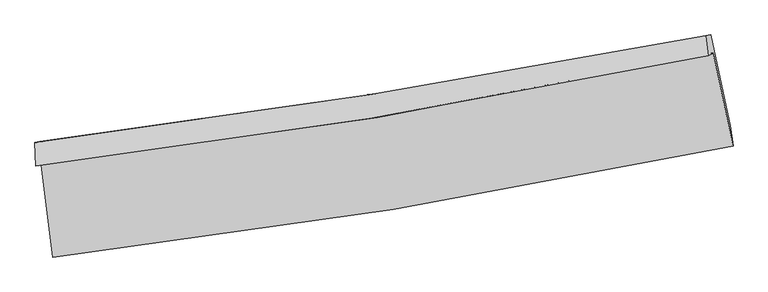
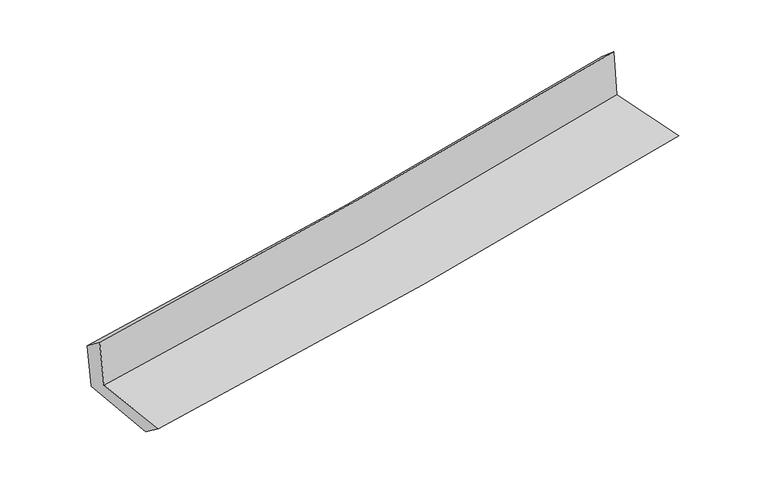
"""IFC4 building model written with IfcOpenShell, lengths in millimetres: proxy geometry."""

from ifc_helpers import new_model, si_unit, frame, origin, place, context, project, spatial, source, transform, mapped, element, save
from ifc_brep_helpers import plane_surface, spline_curve, spline_surface, advanced_brep


def generic_models_39969669(model_context):
    return source(origin(), model_context, "Body", "AdvancedBrep", [
        advanced_brep(
        [(-2410.5458439, -1886.1552964, 1674.4301841), (-2330.4999107, -2540.5339434, 1658.9843826), (2500.2583097, -1750.8972969, 2090.3961191), (2359.4579625, -1090.8727261, 2105.1223365), (-2448.9900011, -1892.0396631, 2076.7775545), (2322.2468473, -1107.8092862, 2508.4307823), (-2456.0916138, -1724.4486872, 1943.0353278), (2304.7175927, -966.0960421, 2385.9912939), (-2420.4656807, -1718.9956855, 1570.1828173), (2341.7203616, -960.4213536, 2008.2482358), (-2338.2248839, -2373.568803, 1532.4203789), (2481.0935492, -1605.3688431, 1976.1663108)],
        [
            (0, 1),
            (1, 2, spline_curve(3, [(-2330.4999107, -2540.5339434, 1658.9843826), (-1521.739867997, -2446.04764927, 1739.34232747), (-715.62758005, -2333.176450569, 1815.406519937), (894.647257649, -2070.117669748, 1959.24626672), (1698.787709677, -1919.776653224, 2026.985986122), (2500.2583097, -1750.8972969, 2090.3961191)], [4, 2, 4], [0.0, 7.998532841885287, 16.03037301683769])),
            (2, 3),
            (3, 0, spline_curve(3, [(2359.4579625, -1090.8727261, 2105.1223365), (1568.768284951, -1262.186948695, 2040.256396079), (775.091022414, -1414.215319983, 1971.85050005), (-814.934973731, -1679.14988849, 1828.257150253), (-1611.258979814, -1792.215707056, 1753.098995339), (-2410.5458439, -1886.1552964, 1674.4301841)], [4, 2, 4], [0.0, 8.031840174952404, 16.03037301683769])),
            (4, 0),
            (3, 5),
            (5, 4, spline_curve(3, [(2322.2468473, -1107.8092862, 2508.4307823), (1529.995438537, -1273.734723877, 2449.498875979), (735.435752231, -1422.149453661, 2383.973409746), (-854.995635439, -1683.414649503, 2240.034427898), (-1650.848231561, -1796.410045665, 2161.675485006), (-2448.9900011, -1892.0396631, 2076.7775545)], [4, 2, 4], [0.0, 7.983004267337408, 15.932903719810895])),
            (6, 4),
            (5, 7),
            (7, 6, spline_curve(3, [(2304.7175927, -966.0960421, 2385.9912939), (1513.874649833, -1119.606908486, 2311.499208609), (720.890317883, -1259.661801469, 2237.264004862), (-866.063807822, -1512.334646572, 2089.614142118), (-1660.015878019, -1625.063968549, 2016.197357262), (-2456.0916138, -1724.4486872, 1943.0353278)], [4, 2, 4], [0.0, 7.970740766343637, 15.908427573480743])),
            (8, 6),
            (7, 9),
            (9, 8, spline_curve(3, [(2341.7203616, -960.4213536, 2008.2482358), (1549.520128549, -1114.148462794, 1946.215390476), (755.743348101, -1254.329803141, 1878.606104041), (-831.665047773, -1507.075800707, 1732.538143718), (-1625.283614825, -1619.752570808, 1654.125623903), (-2420.4656807, -1718.9956855, 1570.1828173)], [4, 2, 4], [0.0, 7.96012303602092, 15.887236143626831])),
            (10, 8),
            (9, 11),
            (11, 10, spline_curve(3, [(2481.0935492, -1605.3688431, 1976.1663108), (1679.998783182, -1764.476649309, 1912.993998183), (877.003138673, -1908.148220968, 1844.340816473), (-729.452071758, -2164.087114196, 1696.380142499), (-1532.895905056, -2276.482195877, 1617.118013571), (-2338.2248839, -2373.568803, 1532.4203789)], [4, 2, 4], [0.0, 8.009109006358035, 15.98500494380099])),
            (1, 10),
            (11, 2),
        ],
        [
            spline_surface(3, 3, [[(-2410.5458439, -1886.1552964, 1674.4301841), (-1611.258979875, -1792.215707162, 1753.098995466), (-814.934973629, -1679.149888395, 1828.257150304), (775.091022312, -1414.215320079, 1971.850499999), (1568.768284834, -1262.186948766, 2040.256395951), (2359.4579625, -1090.8727261, 2105.1223365)], [(-2383.863866169, -2104.28151207, 1669.281583591), (-1581.419275884, -2010.15968784, 1748.513439419), (-781.832509071, -1897.158742432, 1823.973606894), (814.943100732, -1632.849436689, 1967.649088869), (1612.108093131, -1481.383516881, 2035.832925969), (2406.391411569, -1310.880916365, 2100.213597349)], [(-2357.181888431, -2322.40772773, 1664.132983109), (-1551.579571889, -2228.103668506, 1743.927883397), (-748.730044521, -2115.167596421, 1819.690063471), (854.795179142, -1851.48355325, 1963.447677726), (1655.447901421, -1700.580085001, 2031.409456039), (2453.324860631, -1530.889106635, 2095.304858251)], [(-2330.4999107, -2540.5339434, 1658.9843826), (-1521.739867899, -2446.047649184, 1739.34232735), (-715.627579963, -2333.176450458, 1815.406520062), (894.647257561, -2070.11766986, 1959.246266595), (1698.787709717, -1919.776653116, 2026.985986057), (2500.2583097, -1750.8972969, 2090.3961191)]], [4, 4], [4, 2, 4], [0.0, 2.179055871815086], [0.0, 7.998532841885287, 16.03037301683769]),
            spline_surface(3, 3, [[(-2448.9900011, -1892.0396631, 2076.7775545), (-1650.848231693, -1796.410045555, 2161.675485092), (-854.995635382, -1683.4146496, 2240.034427955), (735.435752173, -1422.149453563, 2383.973409689), (1529.99543866, -1273.734723881, 2449.49887603), (2322.2468473, -1107.8092862, 2508.4307823)], [(-2436.175282055, -1890.078207545, 1942.66176439), (-1637.651814442, -1795.011932769, 2025.483321907), (-841.64208147, -1681.993062516, 2102.775335408), (748.654175548, -1419.504742387, 2246.599106462), (1542.919720712, -1269.885465509, 2313.084716002), (2334.650552361, -1102.163766167, 2373.994633698)], [(-2423.360562945, -1888.116751955, 1808.54597421), (-1624.455397126, -1793.613819948, 1889.291158652), (-828.288527542, -1680.571475478, 1965.516242851), (761.872598938, -1416.860031255, 2109.224803226), (1555.844002782, -1266.036207138, 2176.670555979), (2347.054257439, -1096.518246133, 2239.558485102)], [(-2410.5458439, -1886.1552964, 1674.4301841), (-1611.258979875, -1792.215707162, 1753.098995466), (-814.934973629, -1679.149888395, 1828.257150304), (775.091022312, -1414.215320079, 1971.850499999), (1568.768284834, -1262.186948766, 2040.256395951), (2359.4579625, -1090.8727261, 2105.1223365)]], [4, 4], [4, 2, 4], [0.0, 1.358003500425591], [0.0, 7.9498994524734865, 15.932903719810895]),
            spline_surface(3, 3, [[(-2456.0916138, -1724.4486872, 1943.0353278), (-1660.015877995, -1625.06396849, 2016.197357228), (-866.063807804, -1512.3346465, 2089.614142197), (720.890317866, -1259.661801542, 2237.264004783), (1513.874649791, -1119.606908487, 2311.499208515), (2304.7175927, -966.0960421, 2385.9912939)], [(-2453.724409549, -1780.312345838, 1987.616070008), (-1656.959995876, -1682.179327516, 2064.69006649), (-862.374417006, -1569.361314203, 2139.754237443), (725.738795959, -1313.824352219, 2286.167139745), (1519.248246074, -1170.982846952, 2357.499097693), (2310.56067756, -1013.333790134, 2426.804456706)], [(-2451.357205351, -1836.176004462, 2032.196812292), (-1653.904113812, -1739.294686529, 2113.18277583), (-858.68502618, -1626.387981897, 2189.894332709), (730.58727408, -1367.986902886, 2335.070274727), (1524.621842377, -1222.358785416, 2403.498986853), (2316.40376244, -1060.571538166, 2467.617619494)], [(-2448.9900011, -1892.0396631, 2076.7775545), (-1650.848231693, -1796.410045555, 2161.675485092), (-854.995635382, -1683.4146496, 2240.034427955), (735.435752173, -1422.149453563, 2383.973409689), (1529.99543866, -1273.734723881, 2449.49887603), (2322.2468473, -1107.8092862, 2508.4307823)]], [4, 4], [4, 2, 4], [0.0, 0.7339427908192598], [0.0, 7.937686807137107, 15.908427573480743]),
            spline_surface(3, 3, [[(-2420.4656807, -1718.9956855, 1570.1828173), (-1625.283614702, -1619.752570726, 1654.125624), (-831.665047803, -1507.075800601, 1732.538143735), (755.743348131, -1254.329803247, 1878.606104024), (1549.520128655, -1114.148462723, 1946.215390454), (2341.7203616, -960.4213536, 2008.2482358)], [(-2432.340991738, -1720.813352725, 1694.466987475), (-1636.861035804, -1621.523036638, 1774.816201751), (-843.131301138, -1508.828749225, 1851.563476564), (744.125671375, -1256.107136003, 1998.158737619), (1537.638302382, -1115.967944634, 2067.976663148), (2329.386105315, -962.312916423, 2134.162588507)], [(-2444.216302762, -1722.631019975, 1818.751157625), (-1648.438456893, -1623.293502578, 1895.506779477), (-854.59755447, -1510.581697876, 1970.588809368), (732.507994622, -1257.884468786, 2117.711371188), (1525.756476064, -1117.787426575, 2189.737935821), (2317.051848985, -964.204479277, 2260.076941193)], [(-2456.0916138, -1724.4486872, 1943.0353278), (-1660.015877995, -1625.06396849, 2016.197357228), (-866.063807804, -1512.3346465, 2089.614142197), (720.890317866, -1259.661801542, 2237.264004783), (1513.874649791, -1119.606908487, 2311.499208515), (2304.7175927, -966.0960421, 2385.9912939)]], [4, 4], [4, 2, 4], [0.0, 1.1797264404281576], [0.0, 7.927113107605911, 15.887236143626831]),
            spline_surface(3, 3, [[(-2338.2248839, -2373.568803, 1532.4203789), (-1532.895905134, -2276.482195961, 1617.118013683), (-729.452071835, -2164.087114251, 1696.380142623), (877.00313875, -1908.148220912, 1844.340816348), (1679.998783102, -1764.476649306, 1912.99399807), (2481.0935492, -1605.3688431, 1976.1663108)], [(-2365.638482823, -2155.37776384, 1545.007858369), (-1563.691808313, -2057.572320889, 1629.453883791), (-763.523063796, -1945.083343048, 1708.432809649), (836.583208571, -1690.208748371, 1855.762578895), (1636.505898279, -1547.700587117, 1924.067795549), (2434.635819992, -1390.386346606, 1986.860285817)], [(-2393.052081777, -1937.18672466, 1557.595337831), (-1594.487711523, -1838.662445798, 1641.789753891), (-797.594055842, -1726.079571804, 1720.48547671), (796.16327831, -1472.269275788, 1867.184341477), (1593.013013478, -1330.924524911, 1935.141592975), (2388.178090808, -1175.403850094, 1997.554260783)], [(-2420.4656807, -1718.9956855, 1570.1828173), (-1625.283614702, -1619.752570726, 1654.125624), (-831.665047803, -1507.075800601, 1732.538143735), (755.743348131, -1254.329803247, 1878.606104024), (1549.520128655, -1114.148462723, 1946.215390454), (2341.7203616, -960.4213536, 2008.2482358)]], [4, 4], [4, 2, 4], [0.0, 2.184392379190932], [0.0, 7.975895937442955, 15.98500494380099]),
            spline_surface(3, 3, [[(-2330.4999107, -2540.5339434, 1658.9843826), (-1521.739867899, -2446.047649184, 1739.34232735), (-715.627579963, -2333.176450458, 1815.406520062), (894.647257561, -2070.11766986, 1959.246266595), (1698.787709717, -1919.776653116, 2026.985986057), (2500.2583097, -1750.8972969, 2090.3961191)], [(-2333.074901767, -2484.878896582, 1616.796381367), (-1525.458546977, -2389.525831425, 1698.600889461), (-720.235743936, -2276.81333838, 1775.731060918), (888.765884609, -2016.127853535, 1920.944449849), (1692.524734182, -1868.009985185, 1988.988656717), (2493.870056203, -1702.387812305, 2052.319516322)], [(-2335.649892833, -2429.223849818, 1574.608380133), (-1529.177226055, -2333.00401372, 1657.859451572), (-724.843907862, -2220.450226329, 1736.055601767), (882.884511702, -1962.138037237, 1882.642633095), (1686.261758638, -1816.243317237, 1950.99132741), (2487.481802697, -1653.878327695, 2014.242913578)], [(-2338.2248839, -2373.568803, 1532.4203789), (-1532.895905134, -2276.482195961, 1617.118013683), (-729.452071835, -2164.087114251, 1696.380142623), (877.00313875, -1908.148220912, 1844.340816348), (1679.998783102, -1764.476649306, 1912.99399807), (2481.0935492, -1605.3688431, 1976.1663108)]], [4, 4], [4, 2, 4], [0.0, 0.666922309222493], [0.0, 8.035115062425252, 16.103689792880537]),
            plane_surface(frame((2384.9157705, -1246.9109247, 2179.0591797), z_axis=(0.9736875374658074, 0.20551582038600089, 0.09846739031192608), x_axis=(-0.09747998554186013, -0.014949382631807126, 0.9951252023628417))),
            plane_surface(frame((-2400.802989, -2022.6236798, 1742.6384409), z_axis=(-0.988272229683802, -0.1186191584125384, -0.096163898076709), x_axis=(-0.12138523702019981, 0.9923290790480417, 0.023422704993561375))),
        ],
        [
            (0, [[1, 2, 3, 4]]),
            (1, [[5, -4, 6, 7]]),
            (2, [[8, -7, 9, 10]]),
            (3, [[11, -10, 12, 13]]),
            (4, [[14, -13, 15, 16]]),
            (5, [[17, -16, 18, -2]]),
            (6, [[-12, -9, -6, -3, -18, -15]]),
            (7, [[-1, -5, -8, -11, -14, -17]]),
        ],
    ),
    ])


if __name__ == "__main__":
    model = new_model("IFC4")
    model_context = context("Model", 3, world=origin())
    ifc_project = project(units=[si_unit("LENGTHUNIT", "METRE", prefix="MILLI")], contexts=[model_context])
    site = spatial("IfcSite", under=ifc_project)
    building = spatial("IfcBuilding", under=site)
    placement = place(None, origin())
    generic_models_shape = generic_models_39969669(model_context)
    element("IfcBuildingElementProxy", 1, Name="Generic Models", at=placement, inside=building, context=model_context, shape_type="MappedRepresentation", body=[
        mapped(generic_models_shape, transform((0.0, 0.0, 0.0), x_axis=(1.0, 0.0, 0.0), y_axis=(0.0, 1.0, 0.0), z_axis=(0.0, 0.0, 1.0))),
    ])
    save(model, "model.ifc")
